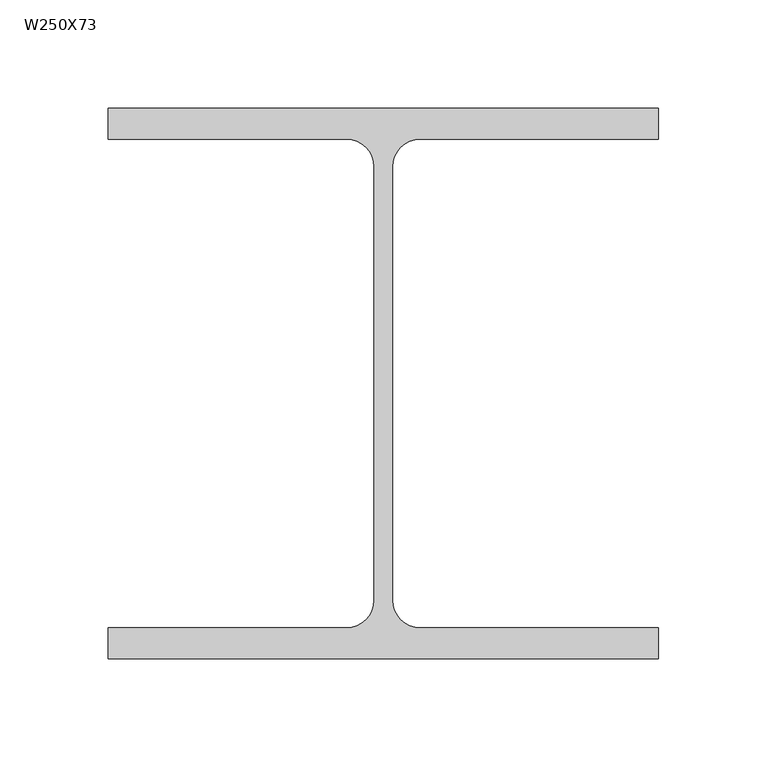
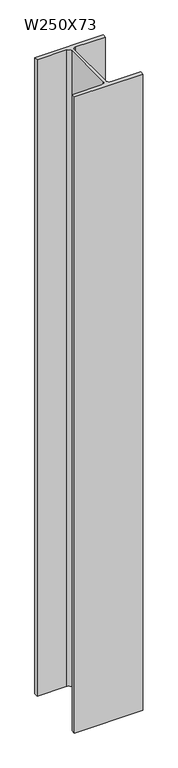
"""IFC4 building model written with IfcOpenShell, lengths in millimetres: column geometry, W250X73."""

from ifc_helpers import new_model, si_unit, point, frame_2d, origin, origin_with_axes, place, context, project, spatial, polyline, circle_curve, trimmed, segment, composite_curve, outline, extrude, source, transform, mapped, element, save


def w250x73_17549060(model_context):
    return source(origin(), model_context, "Body", "SweptSolid", [
        extrude(outline(composite_curve([segment(polyline([(127.0, 127.0), (127.0, 112.8), (17.02, 112.8)]), True, "CONTINUOUS"), segment(trimmed(circle_curve(frame_2d((17.02, 100.1)), 12.7), [point((17.02, 112.8))], [point((4.32, 100.1))], True, "CARTESIAN"), True, "CONTINUOUS"), segment(polyline([(4.32, 100.1), (4.32, -100.1)]), True, "CONTINUOUS"), segment(trimmed(circle_curve(frame_2d((17.02, -100.1)), 12.7), [point((4.32, -100.1))], [point((17.02, -112.8))], True, "CARTESIAN"), True, "CONTINUOUS"), segment(polyline([(17.02, -112.8), (127.0, -112.8), (127.0, -127.0), (-127.0, -127.0), (-127.0, -112.8), (-17.02, -112.8)]), True, "CONTINUOUS"), segment(trimmed(circle_curve(frame_2d((-17.02, -100.1)), 12.7), [point((-17.02, -112.8))], [point((-4.32, -100.1))], True, "CARTESIAN"), True, "CONTINUOUS"), segment(polyline([(-4.32, -100.1), (-4.32, 100.1)]), True, "CONTINUOUS"), segment(trimmed(circle_curve(frame_2d((-17.02, 100.1)), 12.7), [point((-4.32, 100.1))], [point((-17.02, 112.8))], True, "CARTESIAN"), True, "CONTINUOUS"), segment(polyline([(-17.02, 112.8), (-127.0, 112.8), (-127.0, 127.0), (127.0, 127.0)]), True, "CONTINUOUS")], self_intersect=False)), origin_with_axes(), (0.0, 0.0, 1.0), 2500.0),
    ])


if __name__ == "__main__":
    model = new_model("IFC4")
    model_context = context("Model", 3, world=origin())
    ifc_project = project(units=[si_unit("LENGTHUNIT", "METRE", prefix="MILLI")], contexts=[model_context])
    site = spatial("IfcSite", under=ifc_project)
    building = spatial("IfcBuilding", under=site)
    placement = place(None, origin())
    w250x73_shape = w250x73_17549060(model_context)
    element("IfcColumn", 1, ObjectType="W250X73", at=placement, inside=building, context=model_context, shape_type="MappedRepresentation", body=[
        mapped(w250x73_shape, transform((0.0, 0.0, 0.0), x_axis=(1.0, 0.0, 0.0), y_axis=(0.0, 1.0, 0.0), z_axis=(0.0, 0.0, 1.0))),
    ])
    save(model, "model.ifc")
